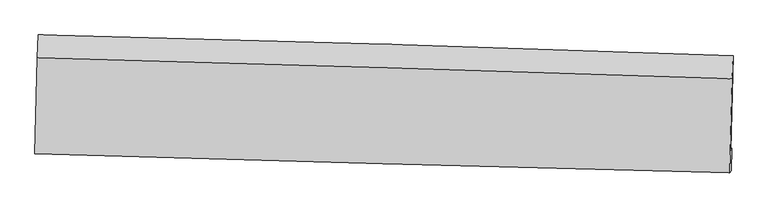
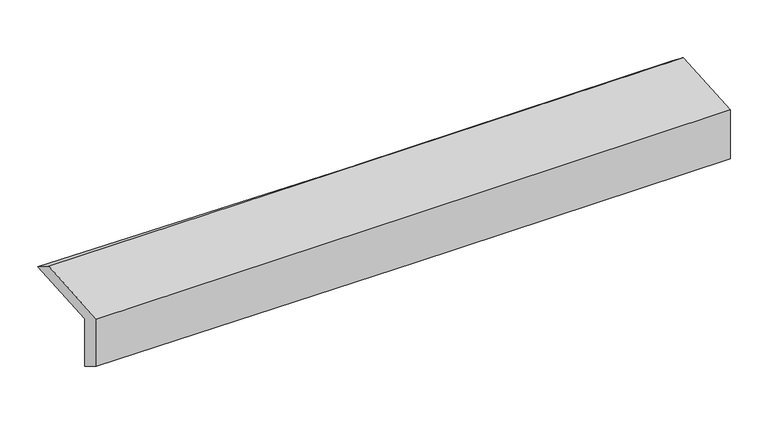
"""IFC4 building model written with IfcOpenShell, lengths in millimetres: proxy geometry."""

from ifc_helpers import new_model, si_unit, frame, origin, place, context, project, spatial, source, transform, mapped, element, save
from ifc_brep_helpers import plane_surface, spline_curve, spline_surface, advanced_brep


def generic_models_e2460624(model_context):
    return source(origin(), model_context, "Body", "AdvancedBrep", [
        advanced_brep(
        [(-2441.452695, -1725.3149251, 1998.4101914), (-2425.4981748, -1062.2157868, 2017.5925557), (2426.344329, -1206.3738468, 2102.7479444), (2409.8333039, -1867.0744045, 2083.6224237), (-2433.2299189, -1711.3536357, 1598.9580213), (2418.1599378, -1852.936777, 1679.12497), (-2439.318292, -1877.1768358, 1700.5568779), (2411.9015507, -2011.612467, 1790.9789848), (-2447.511513, -1891.0879442, 2098.5732987), (2403.3998064, -2026.047411, 2203.9830809), (-2431.5274714, -1223.1945217, 2122.2459365), (2419.7561169, -1368.1601988, 2227.313654)],
        [
            (0, 1),
            (1, 2, spline_curve(3, [(-2425.4981748, -1062.2157868, 2017.5925557), (-1613.118974711, -1080.44165083, 2017.964325179), (-800.946241147, -1101.629326125, 2025.304249576), (816.33122302, -1149.730365472, 2053.803136364), (1621.439323837, -1176.595376522, 2074.848341388), (2426.344329, -1206.3738468, 2102.7479444)], [4, 2, 4], [0.0, 7.996366683250718, 15.927193222814612])),
            (2, 3),
            (3, 0, spline_curve(3, [(2409.8333039, -1867.0744045, 2083.6224237), (1604.917473952, -1841.920987381, 2055.591076706), (799.849932704, -1817.576258879, 2034.475030747), (-817.242882202, -1770.309678102, 2005.956185062), (-1629.270674119, -1747.401246517, 1998.668153923), (-2441.452695, -1725.3149251, 1998.4101914)], [4, 2, 4], [0.0, 7.930826539563894, 15.927193222814612])),
            (4, 0),
            (3, 5),
            (5, 4, spline_curve(3, [(2418.1599378, -1852.936777, 1679.12497), (1613.242633465, -1827.785863046, 1651.165240339), (808.165768603, -1803.456965467, 1630.502137167), (-808.961535625, -1756.248942479, 1603.658724422), (-1621.014622906, -1733.383459713, 1597.599511169), (-2433.2299189, -1711.3536357, 1598.9580213)], [4, 2, 4], [0.0, 7.930326677638736, 15.926189368118383])),
            (6, 4),
            (5, 7),
            (7, 6, spline_curve(3, [(2411.9015507, -2011.612467, 1790.9789848), (1606.695636992, -1990.578431408, 1773.613069273), (801.487924914, -1968.907177472, 1757.421092229), (-815.585325906, -1924.105875893, 1727.260907095), (-1627.450894784, -1900.965252794, 1713.312181579), (-2439.318292, -1877.1768358, 1700.5568779)], [4, 2, 4], [0.0, 7.929970216990716, 15.925473501040845])),
            (8, 6),
            (7, 9),
            (9, 8, spline_curve(3, [(2403.3998064, -2026.047411, 2203.9830809), (1598.211383274, -2004.983678737, 2185.767497409), (793.037951589, -1983.254220739, 2167.910223075), (-823.932736939, -1938.278780248, 2132.767682537), (-1635.729745095, -1915.021749441, 2115.488362514), (-2447.511513, -1891.0879442, 2098.5732987)], [4, 2, 4], [0.0, 7.929712777375776, 15.9249564943367])),
            (10, 8),
            (9, 11),
            (11, 10, spline_curve(3, [(2419.7561169, -1368.1601988, 2227.313654), (1614.587852639, -1342.105346771, 2209.272930404), (809.393774225, -1317.0430571, 2191.53171726), (-807.700326615, -1268.704692106, 2156.504174165), (-1619.600777729, -1245.445089018, 2139.222814734), (-2431.5274714, -1223.1945217, 2122.2459365)], [4, 2, 4], [0.0, 7.9302533164819256, 15.926042039550076])),
            (1, 10),
            (11, 2),
        ],
        [
            spline_surface(3, 3, [[(-2441.452695, -1725.3149251, 1998.4101914), (-1629.270674217, -1747.401246646, 1998.668153894), (-817.242882315, -1770.309677989, 2005.956185182), (799.849932815, -1817.576258991, 2034.475030629), (1604.917473887, -1841.920987426, 2055.591076745), (2409.8333039, -1867.0744045, 2083.6224237)], [(-2436.1345216, -1504.281878986, 2004.804312835), (-1623.886774394, -1525.08138134, 2005.100210947), (-811.810668557, -1547.416227413, 2012.405539978), (805.343696191, -1594.960961126, 2040.917732543), (1610.424757211, -1620.145783783, 2062.010164951), (2415.336978948, -1646.840885241, 2089.997597245)], [(-2430.8163482, -1283.248832914, 2011.198434265), (-1618.502874571, -1302.761516076, 2011.532267994), (-806.378454813, -1324.522776808, 2018.854894774), (810.837459554, -1372.345663232, 2047.360434455), (1615.932040491, -1398.370580217, 2068.429253222), (2420.840653952, -1426.607366059, 2096.372770855)], [(-2425.4981748, -1062.2157868, 2017.5925557), (-1613.118974749, -1080.44165077, 2017.964325047), (-800.946241056, -1101.629326232, 2025.30424957), (816.33122293, -1149.730365366, 2053.803136369), (1621.439323815, -1176.595376574, 2074.848341428), (2426.344329, -1206.3738468, 2102.7479444)]], [4, 4], [4, 2, 4], [0.0, 2.194051921065906], [0.0, 7.996366683250718, 15.927193222814612]),
            spline_surface(3, 3, [[(-2433.2299189, -1711.3536357, 1598.9580213), (-1621.014622815, -1733.383459765, 1597.599511226), (-808.961535577, -1756.248942572, 1603.65872438), (808.165768556, -1803.456965374, 1630.502137209), (1613.242633537, -1827.785863026, 1651.16524025), (2418.1599378, -1852.936777, 1679.12497)], [(-2435.970844253, -1716.007398827, 1732.10874467), (-1623.766639935, -1738.056055386, 1731.289058786), (-811.721984491, -1760.93585437, 1737.75787795), (805.393823307, -1808.163396572, 1765.159768319), (1610.467580324, -1832.497571176, 1785.973852414), (2415.38439317, -1857.649319516, 1813.957454566)], [(-2438.711769647, -1720.661161973, 1865.25946803), (-1626.518657096, -1742.728651026, 1864.978606334), (-814.4824334, -1765.622766192, 1871.857031611), (802.621878064, -1812.869827793, 1899.817399519), (1607.692527101, -1837.209279277, 1920.78246458), (2412.60884853, -1862.361861984, 1948.789939134)], [(-2441.452695, -1725.3149251, 1998.4101914), (-1629.270674217, -1747.401246646, 1998.668153894), (-817.242882315, -1770.309677989, 2005.956185182), (799.849932815, -1817.576258991, 2034.475030629), (1604.917473887, -1841.920987426, 2055.591076745), (2409.8333039, -1867.0744045, 2083.6224237)]], [4, 4], [4, 2, 4], [0.0, 1.323686895072012], [0.0, 7.995862690479647, 15.926189368118383]),
            spline_surface(3, 3, [[(-2439.318292, -1877.1768358, 1700.5568779), (-1627.45089491, -1900.965252762, 1713.312181631), (-815.585326023, -1924.10587587, 1727.260907022), (801.48792503, -1968.907177495, 1757.421092302), (1606.695637045, -1990.578431475, 1773.613069189), (2411.9015507, -2011.612467, 1790.9789848)], [(-2437.288834305, -1821.90243577, 1666.690592355), (-1625.305470884, -1845.1046551, 1674.741291484), (-813.377395872, -1868.153564792, 1686.060179498), (803.713872874, -1913.757106809, 1715.114773961), (1608.877969212, -1936.314241994, 1732.797126205), (2413.987679736, -1958.720570335, 1753.694313196)], [(-2435.259376595, -1766.62803573, 1632.824306845), (-1623.160046841, -1789.244057427, 1636.170401373), (-811.169465728, -1812.20125365, 1644.859451904), (805.939820711, -1858.60703606, 1672.80845555), (1611.06030137, -1882.050052507, 1691.981183233), (2416.073808764, -1905.828673665, 1716.409641604)], [(-2433.2299189, -1711.3536357, 1598.9580213), (-1621.014622815, -1733.383459765, 1597.599511226), (-808.961535577, -1756.248942572, 1603.65872438), (808.165768556, -1803.456965374, 1630.502137209), (1613.242633537, -1827.785863026, 1651.16524025), (2418.1599378, -1852.936777, 1679.12497)]], [4, 4], [4, 2, 4], [0.0, 0.6843334388253917], [0.0, 7.995503284050129, 15.925473501040845]),
            spline_surface(3, 3, [[(-2447.511513, -1891.0879442, 2098.5732987), (-1635.729745126, -1915.021749321, 2115.488362592), (-823.932736978, -1938.278780302, 2132.767682479), (793.037951627, -1983.254220685, 2167.910223132), (1598.211383274, -2004.983678652, 2185.767497317), (2403.3998064, -2026.047411, 2203.9830809)], [(-2444.780439343, -1886.450908075, 1965.901158426), (-1632.970128398, -1910.336250476, 1981.429635597), (-821.150266673, -1933.554478819, 1997.598757317), (795.854609415, -1978.47187295, 2031.080512846), (1601.03946785, -2000.181929597, 2048.382687947), (2406.233721152, -2021.235763005, 2066.315048873)], [(-2442.049365657, -1881.813871925, 1833.229018174), (-1630.210511639, -1905.650751607, 1847.370908625), (-818.367796328, -1928.830177353, 1862.429832184), (798.671267242, -1973.68952523, 1894.250802588), (1603.867552469, -1995.380180529, 1910.997878558), (2409.067635948, -2016.424114995, 1928.647016827)], [(-2439.318292, -1877.1768358, 1700.5568779), (-1627.45089491, -1900.965252762, 1713.312181631), (-815.585326023, -1924.10587587, 1727.260907022), (801.48792503, -1968.907177495, 1757.421092302), (1606.695637045, -1990.578431475, 1773.613069189), (2411.9015507, -2011.612467, 1790.9789848)]], [4, 4], [4, 2, 4], [0.0, 1.3396092492280693], [0.0, 7.995243716960924, 15.9249564943367]),
            spline_surface(3, 3, [[(-2431.5274714, -1223.1945217, 2122.2459365), (-1619.600777769, -1245.445089126, 2139.222814703), (-807.700326716, -1268.704692023, 2156.504174101), (809.393774325, -1317.043057183, 2191.531717323), (1614.587852656, -1342.105346685, 2209.272930474), (2419.7561169, -1368.1601988, 2227.313654)], [(-2436.855485248, -1445.825662518, 2114.355057234), (-1624.977100202, -1468.637309176, 2131.311330667), (-813.111130132, -1491.896054758, 2148.592010233), (803.941833431, -1539.113444993, 2183.657885932), (1609.129029526, -1563.064790667, 2201.437786111), (2414.304013398, -1587.455936193, 2219.536796323)], [(-2442.183499152, -1668.456803382, 2106.464177966), (-1630.353422693, -1691.829529271, 2123.399846628), (-818.521933562, -1715.087417566, 2140.679846347), (798.489892522, -1761.183832875, 2175.784054522), (1603.670206404, -1784.024234669, 2193.60264168), (2408.851909902, -1806.751673607, 2211.759938577)], [(-2447.511513, -1891.0879442, 2098.5732987), (-1635.729745126, -1915.021749321, 2115.488362592), (-823.932736978, -1938.278780302, 2132.767682479), (793.037951627, -1983.254220685, 2167.910223132), (1598.211383274, -2004.983678652, 2185.767497317), (2403.3998064, -2026.047411, 2203.9830809)]], [4, 4], [4, 2, 4], [0.0, 2.1933221520737587], [0.0, 7.99578872306815, 15.926042039550076]),
            spline_surface(3, 3, [[(-2425.4981748, -1062.2157868, 2017.5925557), (-1613.118974749, -1080.44165077, 2017.964325047), (-800.946241056, -1101.629326232, 2025.30424957), (816.33122293, -1149.730365366, 2053.803136369), (1621.439323815, -1176.595376574, 2074.848341428), (2426.344329, -1206.3738468, 2102.7479444)], [(-2427.50794035, -1115.875365124, 2052.47701598), (-1615.279575772, -1135.442796913, 2058.383821612), (-803.19760294, -1157.321114836, 2069.037557756), (814.018740064, -1205.501262646, 2099.712663363), (1619.155500092, -1231.76536662, 2119.656537773), (2424.148258297, -1260.30263081, 2144.269847596)], [(-2429.51770585, -1169.534943376, 2087.36147622), (-1617.440176745, -1190.443942984, 2098.803318138), (-805.448964832, -1213.012903419, 2112.770865915), (811.70625719, -1261.272159904, 2145.622190329), (1616.871676379, -1286.935356638, 2164.464734129), (2421.952187603, -1314.23141479, 2185.791750804)], [(-2431.5274714, -1223.1945217, 2122.2459365), (-1619.600777769, -1245.445089126, 2139.222814703), (-807.700326716, -1268.704692023, 2156.504174101), (809.393774325, -1317.043057183, 2191.531717323), (1614.587852656, -1342.105346685, 2209.272930474), (2419.7561169, -1368.1601988, 2227.313654)]], [4, 4], [4, 2, 4], [0.0, 0.7042249182423909], [0.0, 7.996534690848035, 15.92752786097859]),
            plane_surface(frame((2414.8991741, -1722.0341842, 2014.6285096), z_axis=(0.9994798610794974, -0.02554690849020724, 0.01968153355563682), x_axis=(0.020568219258962805, 0.03492237403655348, -0.9991783505201494))),
            plane_surface(frame((-2436.4230109, -1581.7239416, 1922.7228136), z_axis=(-0.9995025023514729, 0.024618871303226788, -0.019714435546046023), x_axis=(-0.024043521367132285, -0.9992928713436857, -0.028907894457401422))),
        ],
        [
            (0, [[1, 2, 3, 4]]),
            (1, [[5, -4, 6, 7]]),
            (2, [[8, -7, 9, 10]]),
            (3, [[11, -10, 12, 13]]),
            (4, [[14, -13, 15, 16]]),
            (5, [[17, -16, 18, -2]]),
            (6, [[-12, -9, -6, -3, -18, -15]]),
            (7, [[-1, -5, -8, -11, -14, -17]]),
        ],
    ),
    ])


if __name__ == "__main__":
    model = new_model("IFC4")
    model_context = context("Model", 3, world=origin())
    ifc_project = project(units=[si_unit("LENGTHUNIT", "METRE", prefix="MILLI")], contexts=[model_context])
    site = spatial("IfcSite", under=ifc_project)
    building = spatial("IfcBuilding", under=site)
    placement = place(None, origin())
    generic_models_shape = generic_models_e2460624(model_context)
    element("IfcBuildingElementProxy", 1, Name="Generic Models", at=placement, inside=building, context=model_context, shape_type="MappedRepresentation", body=[
        mapped(generic_models_shape, transform((0.0, 0.0, 0.0), x_axis=(1.0, 0.0, 0.0), y_axis=(0.0, 1.0, 0.0), z_axis=(0.0, 0.0, 1.0))),
    ])
    save(model, "model.ifc")
